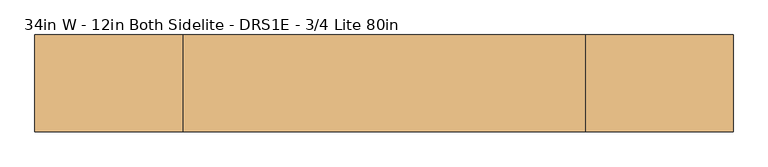
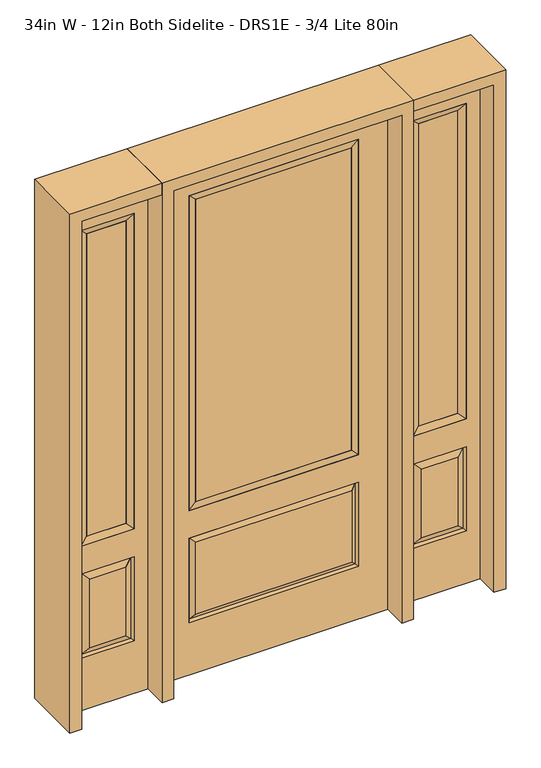
"""IFC4 building model written with IfcOpenShell, lengths in millimetres: door geometry, 34in W - 12in Both Sidelite - DRS1E - 3/4 Lite 80in."""

from ifc_helpers import new_model, si_unit, frame, origin, place, context, project, spatial, polyline, outline, extrude, faceted_brep, source, transform, mapped, element, save


def door_34in_w_12in_both_sidelite_drs1e_3_4_lite_80in_4feb2da2(model_context):
    return source(origin(), model_context, "Body", "SolidModel", [
        faceted_brep([(476.25, -22.225, 0.0), (781.05, -22.225, 0.0), (781.05, -22.225, 2032.0), (476.25, -22.225, 2032.0), (728.98, -22.225, 1919.224), (728.98, -22.225, 657.098), (528.32, -22.225, 657.098), (528.32, -22.225, 1919.224), (728.98, -22.225, 209.55), (528.32, -22.225, 209.55), (528.32, -22.225, 546.1), (728.98, -22.225, 546.1), (560.0351001, -22.225, 241.2651001), (697.2648999, -22.225, 241.2651001), (697.2648999, -22.225, 514.3848999), (560.0351001, -22.225, 514.3848999), (476.25, 22.225, 0.0), (476.25, 22.225, 2032.0), (781.05, 22.225, 2032.0), (781.05, 22.225, 0.0), (728.98, 22.225, 1919.224), (528.32, 22.225, 1919.224), (528.32, 22.225, 657.098), (728.98, 22.225, 657.098), (528.32, 22.225, 209.55), (728.98, 22.225, 209.55), (728.98, 22.225, 546.1), (528.32, 22.225, 546.1), (697.2648999, 22.225, 241.2651001), (560.0351001, 22.225, 241.2651001), (560.0351001, 22.225, 514.3848999), (697.2648999, 22.225, 514.3848999), (721.8711499, 12.7912373, 216.6588501), (535.4288501, 12.7912373, 216.6588501), (535.4288501, 12.7912373, 538.9911499), (721.8711499, 12.7912373, 538.9911499), (535.4288501, -12.7912373, 216.6588501), (721.8711499, -12.7912373, 216.6588501), (535.4288501, -12.7912373, 538.9911499), (721.8711499, -12.7912373, 538.9911499)], [[[0, 1, 2, 3], [4, 5, 6, 7], [8, 9, 10, 11]], [[12, 13, 14, 15]], [[16, 17, 18, 19], [20, 21, 22, 23], [24, 25, 26, 27]], [[28, 29, 30, 31]], [[1, 0, 16, 19]], [[2, 1, 19, 18]], [[3, 2, 18, 17]], [[0, 3, 17, 16]], [[5, 4, 20, 23]], [[6, 5, 23, 22]], [[7, 6, 22, 21]], [[4, 7, 21, 20]], [[32, 33, 29, 28]], [[33, 32, 25, 24]], [[29, 33, 34, 30]], [[33, 24, 27, 34]], [[30, 34, 35, 31]], [[34, 27, 26, 35]], [[32, 28, 31, 35]], [[25, 32, 35, 26]], [[12, 36, 37, 13]], [[37, 36, 9, 8]], [[36, 12, 15, 38]], [[9, 36, 38, 10]], [[38, 15, 14, 39]], [[10, 38, 39, 11]], [[13, 37, 39, 14]], [[37, 8, 11, 39]]]),
        faceted_brep([(528.32, 22.225, 1919.224), (528.32, -22.225, 1919.224), (728.98, -22.225, 1919.224), (728.98, 22.225, 1919.224), (553.72, 12.7, 1893.824), (703.58, 12.7, 1893.824), (553.72, -12.7, 1893.824), (703.58, -12.7, 1893.824), (728.98, -22.225, 657.098), (728.98, 22.225, 657.098), (703.58, 12.7, 682.498), (703.58, -12.7, 682.498), (528.32, -22.225, 657.098), (528.32, 22.225, 657.098), (553.72, 12.7, 682.498), (553.72, -12.7, 682.498)], [[[0, 1, 2, 3]], [[4, 0, 3, 5]], [[6, 4, 5, 7]], [[1, 6, 7, 2]], [[3, 2, 8, 9]], [[5, 3, 9, 10]], [[7, 5, 10, 11]], [[2, 7, 11, 8]], [[9, 8, 12, 13]], [[10, 9, 13, 14]], [[11, 10, 14, 15]], [[8, 11, 15, 12]], [[13, 12, 1, 0]], [[14, 13, 0, 4]], [[15, 14, 4, 6]], [[12, 15, 6, 1]]]),
        extrude(outline(polyline([(703.58, -12.7), (553.72, -12.7), (553.72, 12.7), (703.58, 12.7), (703.58, -12.7)])), frame((0.0, 0.0, 682.498), z_axis=(0.0, 0.0, 1.0), x_axis=(1.0, 0.0, 0.0)), (0.0, 0.0, 1.0), 1211.326),
        faceted_brep([(-781.05, -22.225, 0.0), (-476.25, -22.225, 0.0), (-476.25, -22.225, 2032.0), (-781.05, -22.225, 2032.0), (-528.32, -22.225, 1919.224), (-528.32, -22.225, 657.098), (-728.98, -22.225, 657.098), (-728.98, -22.225, 1919.224), (-528.32, -22.225, 209.55), (-728.98, -22.225, 209.55), (-728.98, -22.225, 546.1), (-528.32, -22.225, 546.1), (-697.2648999, -22.225, 241.2651001), (-560.0351001, -22.225, 241.2651001), (-560.0351001, -22.225, 514.3848999), (-697.2648999, -22.225, 514.3848999), (-781.05, 22.225, 0.0), (-781.05, 22.225, 2032.0), (-476.25, 22.225, 2032.0), (-476.25, 22.225, 0.0), (-528.32, 22.225, 1919.224), (-728.98, 22.225, 1919.224), (-728.98, 22.225, 657.098), (-528.32, 22.225, 657.098), (-728.98, 22.225, 209.55), (-528.32, 22.225, 209.55), (-528.32, 22.225, 546.1), (-728.98, 22.225, 546.1), (-560.0351001, 22.225, 241.2651001), (-697.2648999, 22.225, 241.2651001), (-697.2648999, 22.225, 514.3848999), (-560.0351001, 22.225, 514.3848999), (-535.4288501, 12.7912373, 216.6588501), (-721.8711499, 12.7912373, 216.6588501), (-721.8711499, 12.7912373, 538.9911499), (-535.4288501, 12.7912373, 538.9911499), (-721.8711499, -12.7912373, 216.6588501), (-535.4288501, -12.7912373, 216.6588501), (-721.8711499, -12.7912373, 538.9911499), (-535.4288501, -12.7912373, 538.9911499)], [[[0, 1, 2, 3], [4, 5, 6, 7], [8, 9, 10, 11]], [[12, 13, 14, 15]], [[16, 17, 18, 19], [20, 21, 22, 23], [24, 25, 26, 27]], [[28, 29, 30, 31]], [[1, 0, 16, 19]], [[2, 1, 19, 18]], [[3, 2, 18, 17]], [[0, 3, 17, 16]], [[5, 4, 20, 23]], [[6, 5, 23, 22]], [[7, 6, 22, 21]], [[4, 7, 21, 20]], [[32, 33, 29, 28]], [[33, 32, 25, 24]], [[29, 33, 34, 30]], [[33, 24, 27, 34]], [[30, 34, 35, 31]], [[34, 27, 26, 35]], [[32, 28, 31, 35]], [[25, 32, 35, 26]], [[12, 36, 37, 13]], [[37, 36, 9, 8]], [[36, 12, 15, 38]], [[9, 36, 38, 10]], [[38, 15, 14, 39]], [[10, 38, 39, 11]], [[13, 37, 39, 14]], [[37, 8, 11, 39]]]),
        faceted_brep([(-728.98, 22.225, 1919.224), (-728.98, -22.225, 1919.224), (-528.32, -22.225, 1919.224), (-528.32, 22.225, 1919.224), (-703.58, 12.7, 1893.824), (-553.72, 12.7, 1893.824), (-703.58, -12.7, 1893.824), (-553.72, -12.7, 1893.824), (-528.32, -22.225, 657.098), (-528.32, 22.225, 657.098), (-553.72, 12.7, 682.498), (-553.72, -12.7, 682.498), (-728.98, -22.225, 657.098), (-728.98, 22.225, 657.098), (-703.58, 12.7, 682.498), (-703.58, -12.7, 682.498)], [[[0, 1, 2, 3]], [[4, 0, 3, 5]], [[6, 4, 5, 7]], [[1, 6, 7, 2]], [[3, 2, 8, 9]], [[5, 3, 9, 10]], [[7, 5, 10, 11]], [[2, 7, 11, 8]], [[9, 8, 12, 13]], [[10, 9, 13, 14]], [[11, 10, 14, 15]], [[8, 11, 15, 12]], [[13, 12, 1, 0]], [[14, 13, 0, 4]], [[15, 14, 4, 6]], [[12, 15, 6, 1]]]),
        extrude(outline(polyline([(-553.72, -12.7), (-703.58, -12.7), (-703.58, 12.7), (-553.72, 12.7), (-553.72, -12.7)])), frame((0.0, 0.0, 682.498), z_axis=(0.0, 0.0, 1.0), x_axis=(1.0, 0.0, 0.0)), (0.0, 0.0, 1.0), 1211.326),
        faceted_brep([(-313.5661499, -12.7912373, 216.6588501), (313.5661499, -12.7912373, 216.6588501), (296.06875, -22.225, 234.15625), (-296.06875, -22.225, 234.15625), (-320.675, -22.225, 209.55), (320.675, -22.225, 209.55), (-313.5661499, -12.7912373, 538.9911499), (-320.675, -22.225, 546.1), (296.06875, -22.225, 521.49375), (-296.06875, -22.225, 521.49375), (431.8, -22.225, 2032.0), (-431.8, -22.225, 2032.0), (-431.8, -22.225, 0.0), (431.8, -22.225, 0.0), (320.675, -22.225, 546.1), (320.675, -22.225, 1917.7), (320.675, -22.225, 657.098), (-320.675, -22.225, 657.098), (-320.675, -22.225, 1917.7), (313.5661499, -12.7912373, 538.9911499), (-431.8, 22.225, 2032.0), (-431.8, 22.225, 0.0), (431.8, 22.225, 0.0), (431.8, 22.225, 2032.0), (320.675, 22.225, 1917.7), (320.675, 22.225, 657.098), (-320.675, 22.225, 657.098), (-320.675, 22.225, 1917.7), (-320.675, 22.225, 209.55), (320.675, 22.225, 209.55), (320.675, 22.225, 546.1), (-320.675, 22.225, 546.1), (296.06875, 22.225, 234.15625), (-296.06875, 22.225, 234.15625), (-296.06875, 22.225, 521.49375), (296.06875, 22.225, 521.49375), (-313.5661499, 12.7912373, 216.6588501), (313.5661499, 12.7912373, 216.6588501), (313.5661499, 12.7912373, 538.9911499), (-313.5661499, 12.7912373, 538.9911499)], [[[0, 1, 2, 3]], [[1, 0, 4, 5]], [[4, 0, 6, 7]], [[3, 2, 8, 9]], [[10, 11, 12, 13], [5, 4, 7, 14], [15, 16, 17, 18]], [[1, 5, 14, 19]], [[2, 1, 19, 8]], [[0, 3, 9, 6]], [[7, 6, 19, 14]], [[6, 9, 8, 19]], [[12, 11, 20, 21]], [[13, 12, 21, 22]], [[10, 13, 22, 23]], [[16, 15, 24, 25]], [[17, 16, 25, 26]], [[18, 17, 26, 27]], [[23, 22, 21, 20], [28, 29, 30, 31], [24, 27, 26, 25]], [[32, 33, 34, 35]], [[28, 36, 37, 29]], [[29, 37, 38, 30]], [[39, 31, 30, 38]], [[36, 28, 31, 39]], [[37, 36, 33, 32]], [[33, 36, 39, 34]], [[34, 39, 38, 35]], [[37, 32, 35, 38]], [[11, 10, 23, 20]], [[15, 18, 27, 24]]]),
        faceted_brep([(-320.675, -22.225, 1917.7), (-320.675, 22.225, 1917.7), (-320.675, 22.225, 657.098), (-320.675, -22.225, 657.098), (320.675, 22.225, 657.098), (320.675, -22.225, 657.098), (-295.275, 5.08, 682.498), (295.275, 5.08, 682.498), (320.675, 22.225, 1917.7), (320.675, -22.225, 1917.7), (-295.275, -20.32, 682.498), (295.275, -20.32, 682.498), (-295.275, -20.32, 1892.3), (295.275, -20.32, 1892.3), (-295.275, 5.08, 1892.3), (295.275, 5.08, 1892.3)], [[[0, 1, 2, 3]], [[3, 2, 4, 5]], [[2, 6, 7, 4]], [[5, 4, 8, 9]], [[10, 3, 5, 11]], [[12, 0, 3, 10]], [[11, 5, 9, 13]], [[6, 10, 11, 7]], [[14, 12, 10, 6]], [[7, 11, 13, 15]], [[1, 14, 6, 2]], [[4, 7, 15, 8]], [[9, 8, 1, 0]], [[13, 9, 0, 12]], [[15, 13, 12, 14]], [[8, 15, 14, 1]]]),
        extrude(outline(polyline([(295.275, -20.32), (-295.275, -20.32), (-295.275, 5.08), (295.275, 5.08), (295.275, -20.32)])), frame((0.0, 0.0, 682.498), z_axis=(0.0, 0.0, 1.0), x_axis=(1.0, 0.0, 0.0)), (0.0, 0.0, 1.0), 1209.802),
        extrude(outline(polyline([(2032.0, -476.25), (2076.45, -476.25), (2076.45, -825.5), (0.0, -825.5), (0.0, -781.05), (2032.0, -781.05), (2032.0, -476.25)])), frame((0.0, -114.3, 0.0), z_axis=(0.0, 1.0, 0.0), x_axis=(0.0, 0.0, 1.0)), (0.0, 0.0, 1.0), 228.6),
        extrude(outline(polyline([(2076.45, -476.25), (0.0, -476.25), (0.0, -431.8), (2032.0, -431.8), (2032.0, 431.8), (0.0, 431.8), (0.0, 476.25), (2076.45, 476.25), (2076.45, -476.25)])), frame((0.0, -114.3, 0.0), z_axis=(0.0, 1.0, 0.0), x_axis=(0.0, 0.0, 1.0)), (0.0, 0.0, 1.0), 228.6),
        extrude(outline(polyline([(0.0, 781.05), (0.0, 825.5), (2076.45, 825.5), (2076.45, 476.25), (2032.0, 476.25), (2032.0, 781.05), (0.0, 781.05)])), frame((0.0, -114.3, 0.0), z_axis=(0.0, 1.0, 0.0), x_axis=(0.0, 0.0, 1.0)), (0.0, 0.0, 1.0), 228.6),
    ])


if __name__ == "__main__":
    model = new_model("IFC4")
    model_context = context("Model", 3, world=origin())
    ifc_project = project(units=[si_unit("LENGTHUNIT", "METRE", prefix="MILLI")], contexts=[model_context])
    site = spatial("IfcSite", under=ifc_project)
    building = spatial("IfcBuilding", under=site)
    placement = place(None, origin())
    door_34in_w_12in_both_sidelite_drs1e_3_4_lite_80in_shape = door_34in_w_12in_both_sidelite_drs1e_3_4_lite_80in_4feb2da2(model_context)
    element("IfcDoor", 1, ObjectType="34in W - 12in Both Sidelite - DRS1E - 3/4 Lite 80in", at=placement, inside=building, context=model_context, shape_type="MappedRepresentation", body=[
        mapped(door_34in_w_12in_both_sidelite_drs1e_3_4_lite_80in_shape, transform((0.0, 0.0, 0.0), x_axis=(1.0, 0.0, 0.0), y_axis=(0.0, 1.0, 0.0), z_axis=(0.0, 0.0, 1.0))),
    ])
    save(model, "model.ifc")
